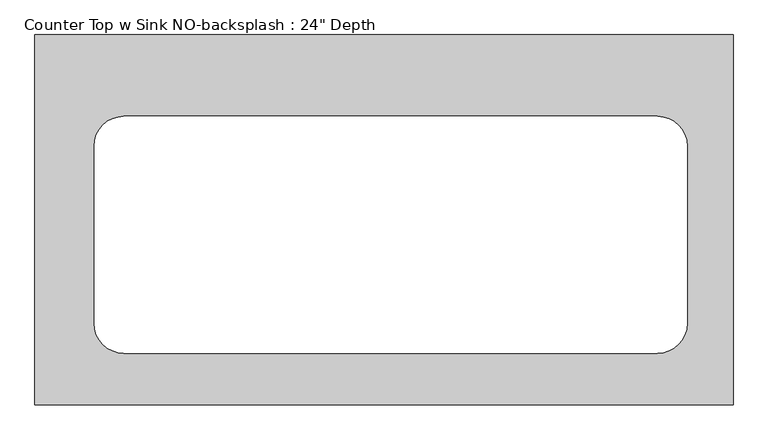
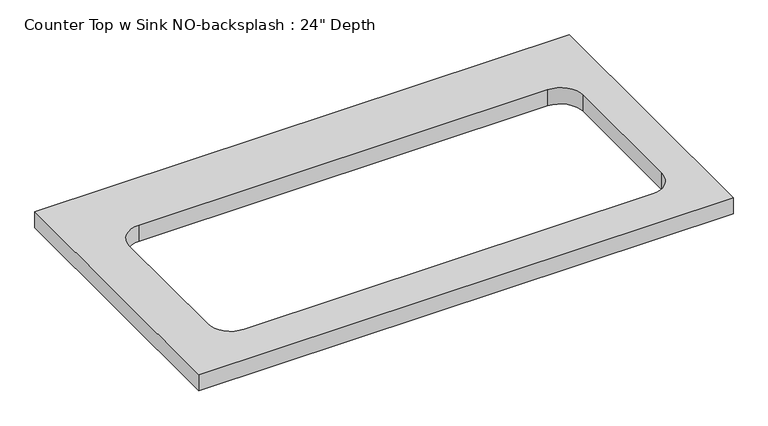
"""IFC4 building model written with IfcOpenShell, lengths in millimetres: furniture geometry."""

import ifcopenshell
import ifcopenshell.guid

model = None  # the IFC model being written
_history = None  # IfcOwnerHistory: only IFC2X3 demands one
_inside = {}  # id of a spatial element -> (the spatial element, [elements in it])
_under = {}  # id of a project, library or spatial element -> (it, [spatial elements below it])
_declared = {}  # id of a project -> (the project, [libraries it declares])
_typed = {}  # id of a type object -> (the type object, [elements of that type])
_made_of = {}  # id of a material, layer set ... -> (it, [elements and type objects made of it])


def new_model(schema):
    """Start an empty IFC model of exactly this schema.

    Asked for "IFC4X3", IfcOpenShell would pick the latest addendum, in which some entities
    have other attributes; the version numbers below select the first issue.
    IFC2X3 requires an IfcOwnerHistory on every rooted entity: one is made here for all.
    """
    global model, _history
    if schema == "IFC4X3":
        model = ifcopenshell.file(schema_version=(4, 3, 0, 0))
    else:
        model = ifcopenshell.file(schema=schema)
    _inside.clear()
    _under.clear()
    _declared.clear()
    _typed.clear()
    _made_of.clear()
    _history = None
    if model.schema == "IFC2X3":
        org = make("IfcOrganization", Name="unknown")
        user = make(
            "IfcPersonAndOrganization",
            ThePerson=make("IfcPerson", FamilyName="unknown"),
            TheOrganization=org,
        )
        app = make(
            "IfcApplication",
            ApplicationDeveloper=org,
            Version="unknown",
            ApplicationFullName="unknown",
            ApplicationIdentifier="unknown",
        )
        _history = make(
            "IfcOwnerHistory",
            OwningUser=user,
            OwningApplication=app,
            ChangeAction="ADDED",
            CreationDate=0,
        )
    return model


def make(cls, **values):
    """One entity of the class cls with the attributes given. An attribute that is None is left unset."""
    return model.create_entity(
        cls, **{name: value for name, value in values.items() if value is not None}
    )


def rooted(cls, **values):
    """An entity with a GlobalId (a new one), such as an element, a storey or a relation."""
    return make(cls, GlobalId=ifcopenshell.guid.new(), OwnerHistory=_history, **values)


def si_unit(unit_type, name, prefix=None):
    """IfcSIUnit, for example si_unit("LENGTHUNIT", "METRE", prefix="MILLI")."""
    return make("IfcSIUnit", UnitType=unit_type, Prefix=prefix, Name=name)


def assignment(units):
    """IfcUnitAssignment: the units of a project."""
    return None if units is None else make("IfcUnitAssignment", Units=units)


def point(xyz):
    """IfcCartesianPoint."""
    return None if xyz is None else make("IfcCartesianPoint", Coordinates=xyz)


def direction(xyz):
    """IfcDirection."""
    return None if xyz is None else make("IfcDirection", DirectionRatios=xyz)


def frame(location, z_axis=None, x_axis=None):
    """IfcAxis2Placement3D, a coordinate frame: its origin and axes. An axis left out is left unset."""
    return make(
        "IfcAxis2Placement3D",
        Location=point(location),
        Axis=direction(z_axis),
        RefDirection=direction(x_axis),
    )


def frame_2d(location, x_axis=None):
    """IfcAxis2Placement2D, a coordinate frame in the plane: its origin and x axis."""
    return make(
        "IfcAxis2Placement2D", Location=point(location), RefDirection=direction(x_axis)
    )


def origin():
    """The frame at (0, 0, 0) with its axes left unset."""
    return frame((0.0, 0.0, 0.0))


def place(relative_to, where):
    """IfcLocalPlacement: puts the frame where relative to a parent placement (None: the world)."""
    return make(
        "IfcLocalPlacement", PlacementRelTo=relative_to, RelativePlacement=where
    )


def context(
    kind, dimensions, precision=None, world=None, true_north=None, identifier=None
):
    """IfcGeometricRepresentationContext, for example the 3D "Model" context."""
    return make(
        "IfcGeometricRepresentationContext",
        ContextIdentifier=identifier,
        ContextType=kind,
        CoordinateSpaceDimension=dimensions,
        Precision=precision,
        WorldCoordinateSystem=world,
        TrueNorth=true_north,
    )


def project(units=None, contexts=None):
    """IfcProject with its units and contexts."""
    return rooted(
        "IfcProject",
        Name="project",
        RepresentationContexts=contexts,
        UnitsInContext=assignment(units),
    )


def spatial(cls, under=None, at=None, **own):
    """A site, building, storey or space (cls), placed at a placement, below another one or the project."""
    s = rooted(cls, ObjectPlacement=at, **own)
    if under is not None:
        _under.setdefault(under.id(), (under, []))[1].append(s)
    return s


def polyline(points):
    """IfcPolyline through the points."""
    return make("IfcPolyline", Points=[point(p) for p in points])


def circle_curve(where, radius):
    """IfcCircle in the frame where."""
    return make("IfcCircle", Position=where, Radius=radius)


def trimmed(basis, trim1, trim2, sense, master):
    """IfcTrimmedCurve: the piece of a basis curve between two trims."""
    return make(
        "IfcTrimmedCurve",
        BasisCurve=basis,
        Trim1=trim1,
        Trim2=trim2,
        SenseAgreement=sense,
        MasterRepresentation=master,
    )


def segment(curve, same_sense, transition):
    """IfcCompositeCurveSegment."""
    return make(
        "IfcCompositeCurveSegment",
        Transition=transition,
        SameSense=same_sense,
        ParentCurve=curve,
    )


def composite_curve(segments, self_intersect=None):
    """IfcCompositeCurve: segments joined end to end."""
    return make("IfcCompositeCurve", Segments=segments, SelfIntersect=self_intersect)


def outline(outer, holes=None, kind="AREA"):
    """IfcArbitraryClosedProfileDef: a profile drawn as a closed curve; with holes, ...WithVoids."""
    if holes is None:
        return make("IfcArbitraryClosedProfileDef", ProfileType=kind, OuterCurve=outer)
    return make(
        "IfcArbitraryProfileDefWithVoids",
        ProfileType=kind,
        OuterCurve=outer,
        InnerCurves=holes,
    )


def extrude(swept, where, along, depth):
    """IfcExtrudedAreaSolid: the profile swept, set in the frame where, extruded along a direction by depth."""
    return make(
        "IfcExtrudedAreaSolid",
        SweptArea=swept,
        Position=where,
        ExtrudedDirection=direction(along),
        Depth=depth,
    )


def shape(context_of_items, identifier, shape_type, items):
    """IfcShapeRepresentation: the items that make up one representation, for example the "Body"."""
    return make(
        "IfcShapeRepresentation",
        ContextOfItems=context_of_items,
        RepresentationIdentifier=identifier,
        RepresentationType=shape_type,
        Items=items,
    )


def source(mapping_origin, context_of_items, identifier, shape_type, items):
    """IfcRepresentationMap: a shape defined once, which mapped items show again and again."""
    return make(
        "IfcRepresentationMap",
        MappingOrigin=mapping_origin,
        MappedRepresentation=shape(context_of_items, identifier, shape_type, items),
    )


def transform(
    local_origin,
    x_axis=None,
    y_axis=None,
    z_axis=None,
    scale=None,
    scale2=None,
    scale3=None,
    uniform=True,
):
    """IfcCartesianTransformationOperator3D, or its non-uniform kind. x_axis, y_axis, z_axis: its Axis1, 2, 3."""
    if uniform:
        return make(
            "IfcCartesianTransformationOperator3D",
            Axis1=direction(x_axis),
            Axis2=direction(y_axis),
            LocalOrigin=point(local_origin),
            Scale=scale,
            Axis3=direction(z_axis),
        )
    return make(
        "IfcCartesianTransformationOperator3DnonUniform",
        Axis1=direction(x_axis),
        Axis2=direction(y_axis),
        LocalOrigin=point(local_origin),
        Scale=scale,
        Axis3=direction(z_axis),
        Scale2=scale2,
        Scale3=scale3,
    )


def mapped(mapping_source, mapping_target):
    """IfcMappedItem: shows the shape of a source again, moved by a transform."""
    return make(
        "IfcMappedItem", MappingSource=mapping_source, MappingTarget=mapping_target
    )


def made_of(thing, what):
    """Note that an element or type object is made of a material, layer set ...; save() writes the relation."""
    if what is not None:
        _made_of.setdefault(what.id(), (what, []))[1].append(thing)
    return thing


def element(
    cls,
    number,
    at=None,
    inside=None,
    cuts=None,
    type_object=None,
    material=None,
    context=None,
    identifier="Body",
    shape_type=None,
    held_by="IfcProductDefinitionShape",
    body=None,
    shapes=None,
    **own,
):
    """One element of the class cls, such as IfcWall. Its Tag is "e" and its number.

    at: its placement. inside: the storey or other place that contains it. cuts: it is an
    opening in that element (IfcRelVoidsElement). A single representation is given by context,
    identifier, shape_type and body (its items); several are given by shapes. held_by: the class
    of the entity that holds the representations. save() writes the other relations.
    """
    e = rooted(cls, Tag="e%d" % number, ObjectPlacement=at, **own)
    if body is not None:
        shapes = [shape(context, identifier, shape_type, body)]
    if shapes is not None:
        e.Representation = make(held_by, Representations=shapes)
    if inside is not None:
        _inside.setdefault(inside.id(), (inside, []))[1].append(e)
    if cuts is not None:
        rooted(
            "IfcRelVoidsElement", RelatingBuildingElement=cuts, RelatedOpeningElement=e
        )
    if type_object is not None:
        _typed.setdefault(type_object.id(), (type_object, []))[1].append(e)
    return made_of(e, material)


def aggregate(whole, parts):
    """IfcRelAggregates: a whole, such as a stair, and the parts it consists of."""
    return rooted("IfcRelAggregates", RelatingObject=whole, RelatedObjects=parts)


def save(model, path):
    """Write the relations noted so far, then the file.

    IfcRelAggregates (storeys below a building ...), IfcRelContainedInSpatialStructure (elements
    in a storey), IfcRelDefinesByType, IfcRelAssociatesMaterial and IfcRelDeclares: one each for
    every whole, place, type object, material and project.
    """
    for whole, parts in _under.values():
        aggregate(whole, parts)
    for where, things in _inside.values():
        rooted(
            "IfcRelContainedInSpatialStructure",
            RelatedElements=things,
            RelatingStructure=where,
        )
    for kind, things in _typed.values():
        rooted("IfcRelDefinesByType", RelatedObjects=things, RelatingType=kind)
    for what, things in _made_of.values():
        rooted("IfcRelAssociatesMaterial", RelatedObjects=things, RelatingMaterial=what)
    for by, libraries in _declared.values():
        rooted("IfcRelDeclares", RelatingContext=by, RelatedDefinitions=libraries)
    model.write(path)


def furniture_b230936b(model_context):
    return source(origin(), model_context, "Body", "SweptSolid", [
        extrude(outline(polyline([(-4.0991903, 0.0), (-4.0991903, -635.0), (-1200.4622951, -635.0), (-1200.4622951, 0.0), (-4.0991903, 0.0)]), holes=[composite_curve([segment(polyline([(-133.6622951, -139.7), (-1048.0622951, -139.7)]), True, "CONTINUOUS"), segment(trimmed(circle_curve(frame_2d((-1048.0622951, -190.5)), 50.8), [point((-1048.0622951, -139.7))], [point((-1098.8622951, -190.5))], True, "CARTESIAN"), True, "CONTINUOUS"), segment(polyline([(-1098.8622951, -190.5), (-1098.8622951, -495.3)]), True, "CONTINUOUS"), segment(trimmed(circle_curve(frame_2d((-1048.0622951, -495.3)), 50.8), [point((-1098.8622951, -495.3))], [point((-1048.0622951, -546.1))], True, "CARTESIAN"), True, "CONTINUOUS"), segment(polyline([(-1048.0622951, -546.1), (-133.6622951, -546.1)]), True, "CONTINUOUS"), segment(trimmed(circle_curve(frame_2d((-133.6622951, -495.3)), 50.8), [point((-133.6622951, -546.1))], [point((-82.8622951, -495.3))], True, "CARTESIAN"), True, "CONTINUOUS"), segment(polyline([(-82.8622951, -495.3), (-82.8622951, -190.5)]), True, "CONTINUOUS"), segment(trimmed(circle_curve(frame_2d((-133.6622951, -190.5)), 50.8), [point((-82.8622951, -190.5))], [point((-133.6622951, -139.7))], True, "CARTESIAN"), True, "CONTINUOUS")], self_intersect=False)]), frame((0.0, 0.0, 876.3), z_axis=(0.0, 0.0, 1.0), x_axis=(1.0, 0.0, 0.0)), (0.0, 0.0, 1.0), 38.1),
    ])


if __name__ == "__main__":
    model = new_model("IFC4")
    model_context = context("Model", 3, world=origin())
    ifc_project = project(units=[si_unit("LENGTHUNIT", "METRE", prefix="MILLI")], contexts=[model_context])
    site = spatial("IfcSite", under=ifc_project)
    building = spatial("IfcBuilding", under=site)
    placement = place(None, origin())
    furniture_shape = furniture_b230936b(model_context)
    element("IfcFurniture", 1, ObjectType="Counter Top w Sink NO-backsplash : 24\" Depth", at=placement, inside=building, context=model_context, shape_type="MappedRepresentation", body=[
        mapped(furniture_shape, transform((0.0, 0.0, 0.0), x_axis=(1.0, 0.0, 0.0), y_axis=(0.0, 1.0, 0.0), z_axis=(0.0, 0.0, 1.0))),
    ])
    save(model, "model.ifc")
